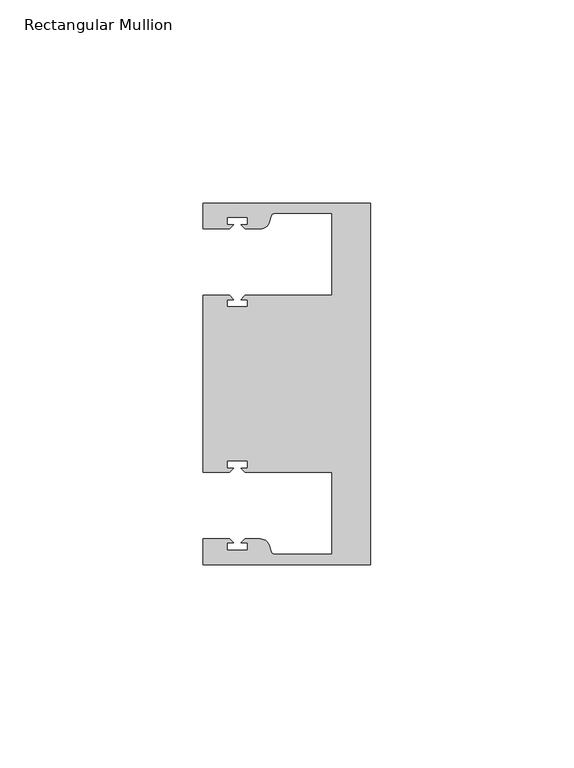
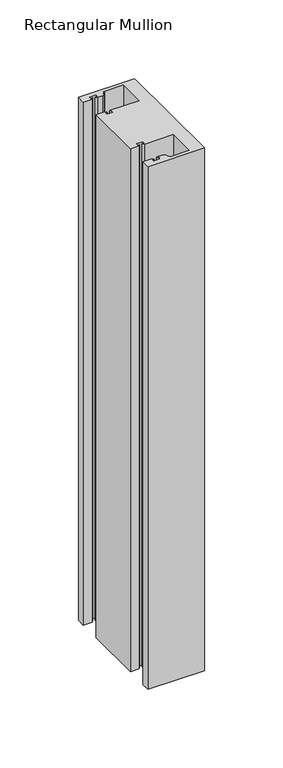
"""IFC4 building model written with IfcOpenShell, lengths in millimetres: member geometry, Rectangular Mullion."""

from ifc_helpers import new_model, si_unit, point, frame, frame_2d, origin, place, context, project, spatial, polyline, circle_curve, trimmed, segment, composite_curve, outline, extrude, source, transform, mapped, element, save


def rectangular_mullion_52cb3678(model_context):
    return source(origin(), model_context, "Body", "SweptSolid", [
        extrude(outline(composite_curve([segment(polyline([(0.0, -44.45), (-41.2749977, -44.45), (-41.2749977, -38.1499897), (-34.8007531, -38.1499897), (-33.8007405, -39.1500023), (-35.3749778, -39.1500023), (-35.3749778, -40.9498819), (-30.3749831, -40.9498819), (-30.3749831, -39.1500023), (-31.949256, -39.1500023), (-30.9492503, -38.1499966), (-27.2637853, -38.1499966)]), True, "CONTINUOUS"), segment(trimmed(circle_curve(frame_2d((-27.2637853, -40.6499966)), 2.5), [point((-27.2637853, -38.1499966))], [point((-24.8489707, -40.002949))], False, "CARTESIAN"), True, "CONTINUOUS"), segment(polyline([(-24.8489707, -40.002949), (-24.5258588, -41.2088192)]), True, "CONTINUOUS"), segment(trimmed(circle_curve(frame_2d((-23.5599329, -40.9500001)), 1.0), [point((-24.5258588, -41.2088192))], [point((-23.5599329, -41.9500001))], True, "CARTESIAN"), True, "CONTINUOUS"), segment(polyline([(-23.5599329, -41.9500001), (-9.525, -41.95), (-9.525, -21.7499959), (-30.9492434, -21.7499959), (-31.949256, -20.7499834), (-30.3750186, -20.7499834), (-30.3750186, -18.949936), (-35.3750134, -18.949936), (-35.3750134, -20.7499834), (-33.8007405, -20.7499834), (-34.8007562, -21.749999), (-41.275, -21.749999), (-41.275, 21.749999), (-34.8007562, 21.749999), (-33.8007405, 20.7499834), (-35.3750134, 20.7499834), (-35.3750134, 18.949936), (-30.3750186, 18.949936), (-30.3750186, 20.7499834), (-31.949256, 20.7499834), (-30.9492434, 21.7499959), (-9.525, 21.7499959), (-9.525, 41.95), (-23.5599329, 41.95)]), True, "CONTINUOUS"), segment(trimmed(circle_curve(frame_2d((-23.5599329, 40.9500001)), 1.0), [point((-23.5599329, 41.95))], [point((-24.5258588, 41.2088192))], True, "CARTESIAN"), True, "CONTINUOUS"), segment(polyline([(-24.5258588, 41.2088192), (-24.8489707, 40.002949)]), True, "CONTINUOUS"), segment(trimmed(circle_curve(frame_2d((-27.2637853, 40.6499966)), 2.5), [point((-24.8489707, 40.002949))], [point((-27.2637853, 38.1499966))], False, "CARTESIAN"), True, "CONTINUOUS"), segment(polyline([(-27.2637853, 38.1499966), (-30.9492503, 38.1499966), (-31.949256, 39.1500023), (-30.3749831, 39.1500023), (-30.3749831, 40.9498819), (-35.3749778, 40.9498819), (-35.3749778, 39.1500023), (-33.8007405, 39.1500023), (-34.8007531, 38.1499897), (-41.275, 38.1499897), (-41.275, 44.45), (0.0, 44.45), (0.0, -44.45)]), True, "CONTINUOUS")], self_intersect=False)), frame((0.0, 0.0, -406.4), z_axis=(0.0, 0.0, 1.0), x_axis=(1.0, 0.0, 0.0)), (0.0, 0.0, 1.0), 406.4),
    ])


if __name__ == "__main__":
    model = new_model("IFC4")
    model_context = context("Model", 3, world=origin())
    ifc_project = project(units=[si_unit("LENGTHUNIT", "METRE", prefix="MILLI")], contexts=[model_context])
    site = spatial("IfcSite", under=ifc_project)
    building = spatial("IfcBuilding", under=site)
    placement = place(None, origin())
    rectangular_mullion_shape = rectangular_mullion_52cb3678(model_context)
    element("IfcMember", 1, ObjectType="Rectangular Mullion", at=placement, inside=building, context=model_context, shape_type="MappedRepresentation", body=[
        mapped(rectangular_mullion_shape, transform((0.0, 0.0, 0.0), x_axis=(1.0, 0.0, 0.0), y_axis=(0.0, 1.0, 0.0), z_axis=(0.0, 0.0, 1.0))),
    ])
    save(model, "model.ifc")
